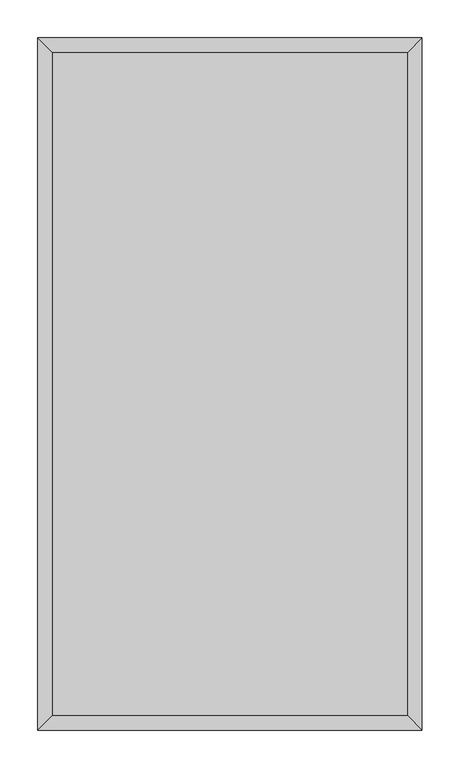
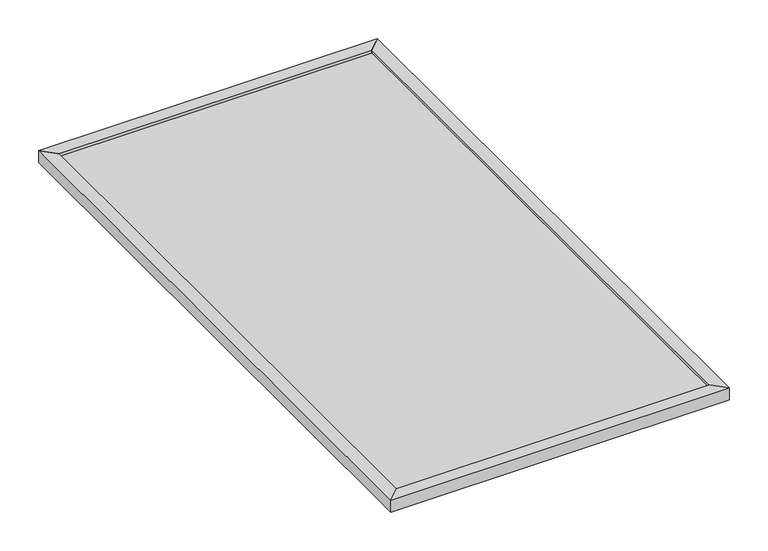
"""IFC4 building model written with IfcOpenShell, lengths in millimetres: proxy geometry."""

import ifcopenshell
import ifcopenshell.guid

model = None  # the IFC model being written
_history = None  # IfcOwnerHistory: only IFC2X3 demands one
_inside = {}  # id of a spatial element -> (the spatial element, [elements in it])
_under = {}  # id of a project, library or spatial element -> (it, [spatial elements below it])
_declared = {}  # id of a project -> (the project, [libraries it declares])
_typed = {}  # id of a type object -> (the type object, [elements of that type])
_made_of = {}  # id of a material, layer set ... -> (it, [elements and type objects made of it])


def new_model(schema):
    """Start an empty IFC model of exactly this schema.

    Asked for "IFC4X3", IfcOpenShell would pick the latest addendum, in which some entities
    have other attributes; the version numbers below select the first issue.
    IFC2X3 requires an IfcOwnerHistory on every rooted entity: one is made here for all.
    """
    global model, _history
    if schema == "IFC4X3":
        model = ifcopenshell.file(schema_version=(4, 3, 0, 0))
    else:
        model = ifcopenshell.file(schema=schema)
    _inside.clear()
    _under.clear()
    _declared.clear()
    _typed.clear()
    _made_of.clear()
    _history = None
    if model.schema == "IFC2X3":
        org = make("IfcOrganization", Name="unknown")
        user = make(
            "IfcPersonAndOrganization",
            ThePerson=make("IfcPerson", FamilyName="unknown"),
            TheOrganization=org,
        )
        app = make(
            "IfcApplication",
            ApplicationDeveloper=org,
            Version="unknown",
            ApplicationFullName="unknown",
            ApplicationIdentifier="unknown",
        )
        _history = make(
            "IfcOwnerHistory",
            OwningUser=user,
            OwningApplication=app,
            ChangeAction="ADDED",
            CreationDate=0,
        )
    return model


def make(cls, **values):
    """One entity of the class cls with the attributes given. An attribute that is None is left unset."""
    return model.create_entity(
        cls, **{name: value for name, value in values.items() if value is not None}
    )


def rooted(cls, **values):
    """An entity with a GlobalId (a new one), such as an element, a storey or a relation."""
    return make(cls, GlobalId=ifcopenshell.guid.new(), OwnerHistory=_history, **values)


def si_unit(unit_type, name, prefix=None):
    """IfcSIUnit, for example si_unit("LENGTHUNIT", "METRE", prefix="MILLI")."""
    return make("IfcSIUnit", UnitType=unit_type, Prefix=prefix, Name=name)


def assignment(units):
    """IfcUnitAssignment: the units of a project."""
    return None if units is None else make("IfcUnitAssignment", Units=units)


def point(xyz):
    """IfcCartesianPoint."""
    return None if xyz is None else make("IfcCartesianPoint", Coordinates=xyz)


def direction(xyz):
    """IfcDirection."""
    return None if xyz is None else make("IfcDirection", DirectionRatios=xyz)


def frame(location, z_axis=None, x_axis=None):
    """IfcAxis2Placement3D, a coordinate frame: its origin and axes. An axis left out is left unset."""
    return make(
        "IfcAxis2Placement3D",
        Location=point(location),
        Axis=direction(z_axis),
        RefDirection=direction(x_axis),
    )


def origin():
    """The frame at (0, 0, 0) with its axes left unset."""
    return frame((0.0, 0.0, 0.0))


def origin_with_axes():
    """The frame at (0, 0, 0) with the z axis (0, 0, 1) and the x axis (1, 0, 0) written out."""
    return frame((0.0, 0.0, 0.0), z_axis=(0.0, 0.0, 1.0), x_axis=(1.0, 0.0, 0.0))


def place(relative_to, where):
    """IfcLocalPlacement: puts the frame where relative to a parent placement (None: the world)."""
    return make(
        "IfcLocalPlacement", PlacementRelTo=relative_to, RelativePlacement=where
    )


def context(
    kind, dimensions, precision=None, world=None, true_north=None, identifier=None
):
    """IfcGeometricRepresentationContext, for example the 3D "Model" context."""
    return make(
        "IfcGeometricRepresentationContext",
        ContextIdentifier=identifier,
        ContextType=kind,
        CoordinateSpaceDimension=dimensions,
        Precision=precision,
        WorldCoordinateSystem=world,
        TrueNorth=true_north,
    )


def project(units=None, contexts=None):
    """IfcProject with its units and contexts."""
    return rooted(
        "IfcProject",
        Name="project",
        RepresentationContexts=contexts,
        UnitsInContext=assignment(units),
    )


def spatial(cls, under=None, at=None, **own):
    """A site, building, storey or space (cls), placed at a placement, below another one or the project."""
    s = rooted(cls, ObjectPlacement=at, **own)
    if under is not None:
        _under.setdefault(under.id(), (under, []))[1].append(s)
    return s


def polyline(points):
    """IfcPolyline through the points."""
    return make("IfcPolyline", Points=[point(p) for p in points])


def outline(outer, holes=None, kind="AREA"):
    """IfcArbitraryClosedProfileDef: a profile drawn as a closed curve; with holes, ...WithVoids."""
    if holes is None:
        return make("IfcArbitraryClosedProfileDef", ProfileType=kind, OuterCurve=outer)
    return make(
        "IfcArbitraryProfileDefWithVoids",
        ProfileType=kind,
        OuterCurve=outer,
        InnerCurves=holes,
    )


def extrude(swept, where, along, depth):
    """IfcExtrudedAreaSolid: the profile swept, set in the frame where, extruded along a direction by depth."""
    return make(
        "IfcExtrudedAreaSolid",
        SweptArea=swept,
        Position=where,
        ExtrudedDirection=direction(along),
        Depth=depth,
    )


def shape(context_of_items, identifier, shape_type, items):
    """IfcShapeRepresentation: the items that make up one representation, for example the "Body"."""
    return make(
        "IfcShapeRepresentation",
        ContextOfItems=context_of_items,
        RepresentationIdentifier=identifier,
        RepresentationType=shape_type,
        Items=items,
    )


def source(mapping_origin, context_of_items, identifier, shape_type, items):
    """IfcRepresentationMap: a shape defined once, which mapped items show again and again."""
    return make(
        "IfcRepresentationMap",
        MappingOrigin=mapping_origin,
        MappedRepresentation=shape(context_of_items, identifier, shape_type, items),
    )


def transform(
    local_origin,
    x_axis=None,
    y_axis=None,
    z_axis=None,
    scale=None,
    scale2=None,
    scale3=None,
    uniform=True,
):
    """IfcCartesianTransformationOperator3D, or its non-uniform kind. x_axis, y_axis, z_axis: its Axis1, 2, 3."""
    if uniform:
        return make(
            "IfcCartesianTransformationOperator3D",
            Axis1=direction(x_axis),
            Axis2=direction(y_axis),
            LocalOrigin=point(local_origin),
            Scale=scale,
            Axis3=direction(z_axis),
        )
    return make(
        "IfcCartesianTransformationOperator3DnonUniform",
        Axis1=direction(x_axis),
        Axis2=direction(y_axis),
        LocalOrigin=point(local_origin),
        Scale=scale,
        Axis3=direction(z_axis),
        Scale2=scale2,
        Scale3=scale3,
    )


def mapped(mapping_source, mapping_target):
    """IfcMappedItem: shows the shape of a source again, moved by a transform."""
    return make(
        "IfcMappedItem", MappingSource=mapping_source, MappingTarget=mapping_target
    )


def made_of(thing, what):
    """Note that an element or type object is made of a material, layer set ...; save() writes the relation."""
    if what is not None:
        _made_of.setdefault(what.id(), (what, []))[1].append(thing)
    return thing


def element(
    cls,
    number,
    at=None,
    inside=None,
    cuts=None,
    type_object=None,
    material=None,
    context=None,
    identifier="Body",
    shape_type=None,
    held_by="IfcProductDefinitionShape",
    body=None,
    shapes=None,
    **own,
):
    """One element of the class cls, such as IfcWall. Its Tag is "e" and its number.

    at: its placement. inside: the storey or other place that contains it. cuts: it is an
    opening in that element (IfcRelVoidsElement). A single representation is given by context,
    identifier, shape_type and body (its items); several are given by shapes. held_by: the class
    of the entity that holds the representations. save() writes the other relations.
    """
    e = rooted(cls, Tag="e%d" % number, ObjectPlacement=at, **own)
    if body is not None:
        shapes = [shape(context, identifier, shape_type, body)]
    if shapes is not None:
        e.Representation = make(held_by, Representations=shapes)
    if inside is not None:
        _inside.setdefault(inside.id(), (inside, []))[1].append(e)
    if cuts is not None:
        rooted(
            "IfcRelVoidsElement", RelatingBuildingElement=cuts, RelatedOpeningElement=e
        )
    if type_object is not None:
        _typed.setdefault(type_object.id(), (type_object, []))[1].append(e)
    return made_of(e, material)


def aggregate(whole, parts):
    """IfcRelAggregates: a whole, such as a stair, and the parts it consists of."""
    return rooted("IfcRelAggregates", RelatingObject=whole, RelatedObjects=parts)


def save(model, path):
    """Write the relations noted so far, then the file.

    IfcRelAggregates (storeys below a building ...), IfcRelContainedInSpatialStructure (elements
    in a storey), IfcRelDefinesByType, IfcRelAssociatesMaterial and IfcRelDeclares: one each for
    every whole, place, type object, material and project.
    """
    for whole, parts in _under.values():
        aggregate(whole, parts)
    for where, things in _inside.values():
        rooted(
            "IfcRelContainedInSpatialStructure",
            RelatedElements=things,
            RelatingStructure=where,
        )
    for kind, things in _typed.values():
        rooted("IfcRelDefinesByType", RelatedObjects=things, RelatingType=kind)
    for what, things in _made_of.values():
        rooted("IfcRelAssociatesMaterial", RelatedObjects=things, RelatingMaterial=what)
    for by, libraries in _declared.values():
        rooted("IfcRelDeclares", RelatingContext=by, RelatedDefinitions=libraries)
    model.write(path)


def specialty_equipment_19a12ff2(model_context):
    return source(origin(), model_context, "Body", "SweptSolid", [
        extrude(outline(polyline([(254.0, 457.2), (234.95, 438.15), (-234.95, 438.15), (-254.0, 457.2), (254.0, 457.2)])), origin_with_axes(), (0.0, 0.0, 1.0), 19.05),
        extrude(outline(polyline([(-234.95, -438.15), (234.95, -438.15), (254.0, -457.2), (-254.0, -457.2), (-234.95, -438.15)])), origin_with_axes(), (0.0, 0.0, 1.0), 19.05),
        extrude(outline(polyline([(-254.0, -457.2), (-254.0, 457.2), (-234.95, 438.15), (-234.95, -438.15), (-254.0, -457.2)])), origin_with_axes(), (0.0, 0.0, 1.0), 19.05),
        extrude(outline(polyline([(254.0, 457.2), (254.0, -457.2), (234.95, -438.15), (234.95, 438.15), (254.0, 457.2)])), origin_with_axes(), (0.0, 0.0, 1.0), 19.05),
        extrude(outline(polyline([(234.95, 438.15), (234.95, -438.15), (-234.95, -438.15), (-234.95, 438.15), (234.95, 438.15)])), frame((0.0, 0.0, 9.525), z_axis=(0.0, 0.0, 1.0), x_axis=(1.0, 0.0, 0.0)), (0.0, 0.0, 1.0), 4.9026574),
    ])


if __name__ == "__main__":
    model = new_model("IFC4")
    model_context = context("Model", 3, world=origin())
    ifc_project = project(units=[si_unit("LENGTHUNIT", "METRE", prefix="MILLI")], contexts=[model_context])
    site = spatial("IfcSite", under=ifc_project)
    building = spatial("IfcBuilding", under=site)
    placement = place(None, origin())
    specialty_equipment_shape = specialty_equipment_19a12ff2(model_context)
    element("IfcBuildingElementProxy", 1, Name="Specialty Equipment", at=placement, inside=building, context=model_context, shape_type="MappedRepresentation", body=[
        mapped(specialty_equipment_shape, transform((0.0, 0.0, 0.0), x_axis=(1.0, 0.0, 0.0), y_axis=(0.0, 1.0, 0.0), z_axis=(0.0, 0.0, 1.0))),
    ])
    save(model, "model.ifc")
